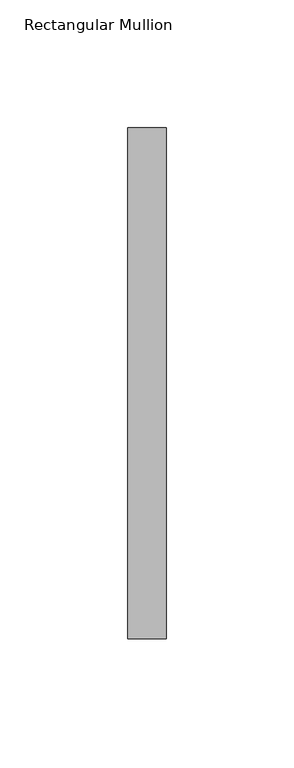
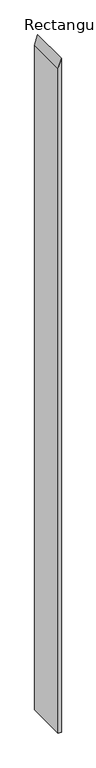
"""IFC4 building model written with IfcOpenShell, lengths in millimetres: member geometry, Rectangular Mullion."""

from ifc_helpers import new_model, si_unit, frame, origin, place, context, project, spatial, polyline, outline, extrude, source, transform, mapped, element, save


def rectangular_mullion_8ecd4a90(model_context):
    return source(origin(), model_context, "Body", "SweptSolid", [
        extrude(outline(polyline([(0.0, 0.0), (-47.8696528, -15.0), (-3492.7017115, -15.0), (-3492.7017115, 0.0), (0.0, 0.0)])), frame((0.0, -253.0, 0.0), z_axis=(0.0, 1.0, 0.0), x_axis=(0.0, 0.0, 1.0)), (0.0, 0.0, 1.0), 200.0),
    ])


if __name__ == "__main__":
    model = new_model("IFC4")
    model_context = context("Model", 3, world=origin())
    ifc_project = project(units=[si_unit("LENGTHUNIT", "METRE", prefix="MILLI")], contexts=[model_context])
    site = spatial("IfcSite", under=ifc_project)
    building = spatial("IfcBuilding", under=site)
    placement = place(None, origin())
    rectangular_mullion_shape = rectangular_mullion_8ecd4a90(model_context)
    element("IfcMember", 1, ObjectType="Rectangular Mullion", at=placement, inside=building, context=model_context, shape_type="MappedRepresentation", body=[
        mapped(rectangular_mullion_shape, transform((0.0, 0.0, 0.0), x_axis=(1.0, 0.0, 0.0), y_axis=(0.0, 1.0, 0.0), z_axis=(0.0, 0.0, 1.0))),
    ])
    save(model, "model.ifc")
